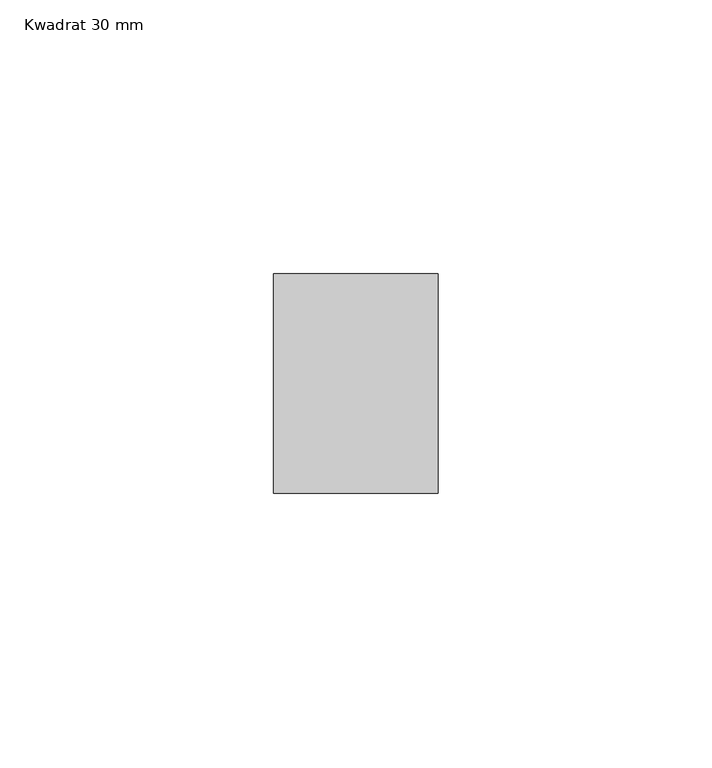
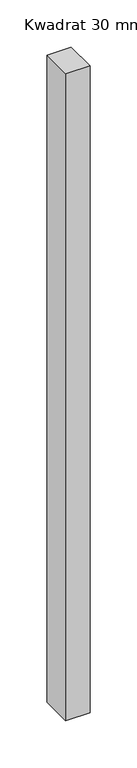
"""IFC4 building model written with IfcOpenShell, lengths in millimetres: member geometry, Kwadrat 30 mm."""

from ifc_helpers import new_model, si_unit, frame, origin, place, context, project, spatial, polyline, outline, extrude, source, transform, mapped, element, save


def kwadrat_30_mm_993b1e1b(model_context):
    return source(origin(), model_context, "Body", "SweptSolid", [
        extrude(outline(polyline([(0.0, 20.0), (0.0, -20.0), (-30.0, -20.0), (-30.0, 20.0), (0.0, 20.0)])), frame((0.0, 0.0, -840.0), z_axis=(0.0, 0.0, 1.0), x_axis=(1.0, 0.0, 0.0)), (0.0, 0.0, 1.0), 840.0),
    ])


if __name__ == "__main__":
    model = new_model("IFC4")
    model_context = context("Model", 3, world=origin())
    ifc_project = project(units=[si_unit("LENGTHUNIT", "METRE", prefix="MILLI")], contexts=[model_context])
    site = spatial("IfcSite", under=ifc_project)
    building = spatial("IfcBuilding", under=site)
    placement = place(None, origin())
    kwadrat_30_mm_shape = kwadrat_30_mm_993b1e1b(model_context)
    element("IfcMember", 1, ObjectType="Kwadrat 30 mm", at=placement, inside=building, context=model_context, shape_type="MappedRepresentation", body=[
        mapped(kwadrat_30_mm_shape, transform((0.0, 0.0, 0.0), x_axis=(1.0, 0.0, 0.0), y_axis=(0.0, 1.0, 0.0), z_axis=(0.0, 0.0, 1.0))),
    ])
    save(model, "model.ifc")
